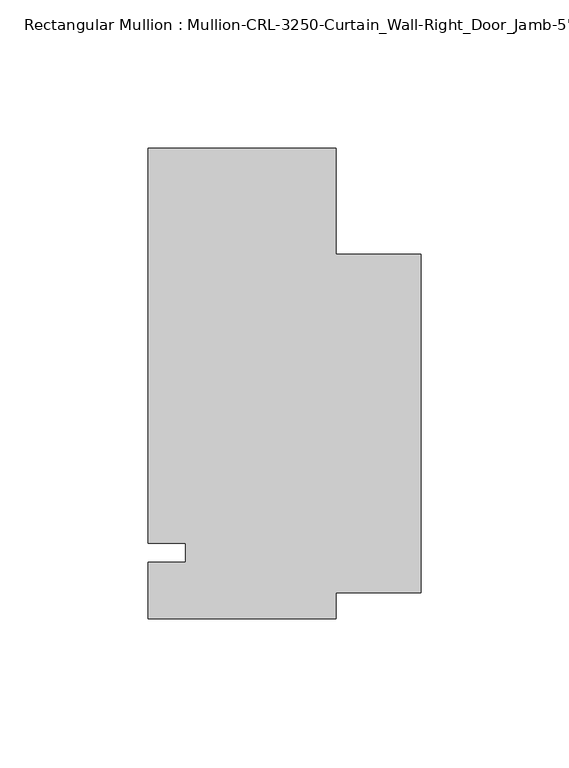
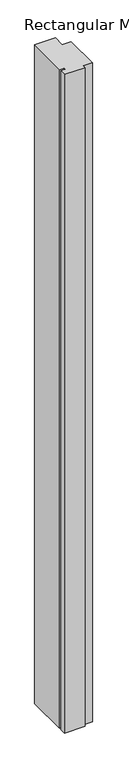
"""IFC4 building model written with IfcOpenShell, lengths in millimetres: member geometry."""

from ifc_helpers import new_model, si_unit, frame, origin, place, context, project, spatial, polyline, outline, extrude, source, transform, mapped, element, save


def member_8d107e44(model_context):
    return source(origin(), model_context, "Body", "SweptSolid", [
        extrude(outline(polyline([(-31.7499985, -3.175), (-19.0499985, -3.175), (-19.0499985, 3.175), (-31.7499985, 3.175), (-31.7499985, 136.5621671), (31.7499985, 136.5621671), (31.7499985, 100.8118372), (60.326855, 100.8118372), (60.326855, -13.4880538), (31.7499985, -13.4880538), (31.7499985, -22.2254168), (-31.7499985, -22.2254168), (-31.7499985, -3.175)])), frame((0.0, 0.0, -2146.3000015), z_axis=(0.0, 0.0, 1.0), x_axis=(1.0, 0.0, 0.0)), (0.0, 0.0, 1.0), 2146.3000015),
    ])


if __name__ == "__main__":
    model = new_model("IFC4")
    model_context = context("Model", 3, world=origin())
    ifc_project = project(units=[si_unit("LENGTHUNIT", "METRE", prefix="MILLI")], contexts=[model_context])
    site = spatial("IfcSite", under=ifc_project)
    building = spatial("IfcBuilding", under=site)
    placement = place(None, origin())
    member_shape = member_8d107e44(model_context)
    element("IfcMember", 1, ObjectType="Rectangular Mullion : Mullion-CRL-3250-Curtain_Wall-Right_Door_Jamb-5\"", at=placement, inside=building, context=model_context, shape_type="MappedRepresentation", body=[
        mapped(member_shape, transform((0.0, 0.0, 0.0), x_axis=(1.0, 0.0, 0.0), y_axis=(0.0, 1.0, 0.0), z_axis=(0.0, 0.0, 1.0))),
    ])
    save(model, "model.ifc")
